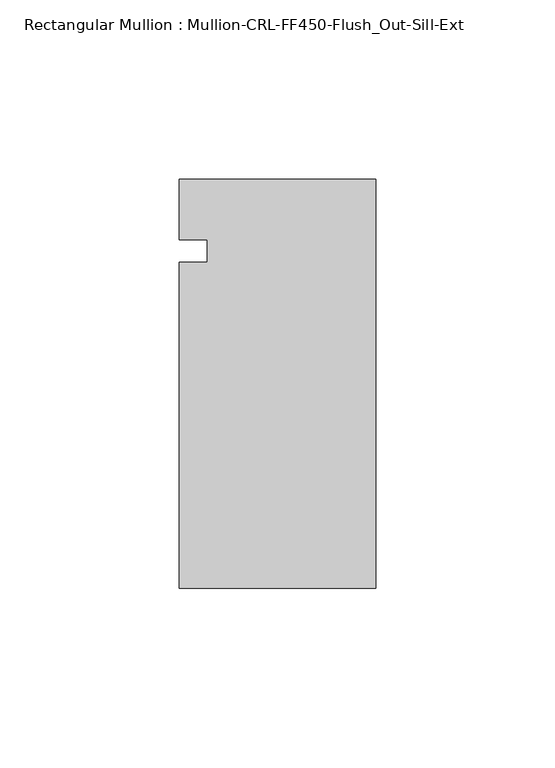
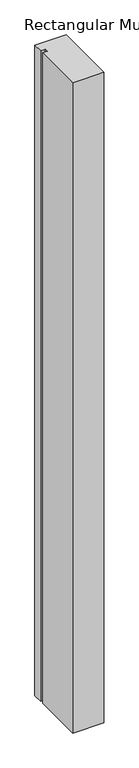
"""IFC4 building model written with IfcOpenShell, lengths in millimetres: member geometry, Rectangular Mullion : Mullion-CRL-FF450-Flush_Out-Sill-Ext."""

from ifc_helpers import new_model, si_unit, frame, origin, place, context, project, spatial, polyline, outline, extrude, source, transform, mapped, element, save


def rectangular_mullion_mullion_crl_ff450_flush_out_sill_ext_1cc5c9a4(model_context):
    return source(origin(), model_context, "Body", "SweptSolid", [
        extrude(outline(polyline([(-54.9910181, -94.1461601), (-54.9910181, -3.1555912), (-47.0535181, -3.1555912), (-47.0535181, 3.1944088), (-54.9910181, 3.1944088), (-54.9910181, 20.160815), (0.0, 20.160815), (0.0, -94.1461601), (-54.9910181, -94.1461601)])), frame((0.0, 0.0, -1204.3834049), z_axis=(0.0, 0.0, 1.0), x_axis=(1.0, 0.0, 0.0)), (0.0, 0.0, 1.0), 1204.3834049),
    ])


if __name__ == "__main__":
    model = new_model("IFC4")
    model_context = context("Model", 3, world=origin())
    ifc_project = project(units=[si_unit("LENGTHUNIT", "METRE", prefix="MILLI")], contexts=[model_context])
    site = spatial("IfcSite", under=ifc_project)
    building = spatial("IfcBuilding", under=site)
    placement = place(None, origin())
    rectangular_mullion_mullion_crl_ff450_flush_out_sill_ext_shape = rectangular_mullion_mullion_crl_ff450_flush_out_sill_ext_1cc5c9a4(model_context)
    element("IfcMember", 1, ObjectType="Rectangular Mullion : Mullion-CRL-FF450-Flush_Out-Sill-Ext", at=placement, inside=building, context=model_context, shape_type="MappedRepresentation", body=[
        mapped(rectangular_mullion_mullion_crl_ff450_flush_out_sill_ext_shape, transform((0.0, 0.0, 0.0), x_axis=(1.0, 0.0, 0.0), y_axis=(0.0, 1.0, 0.0), z_axis=(0.0, 0.0, 1.0))),
    ])
    save(model, "model.ifc")
